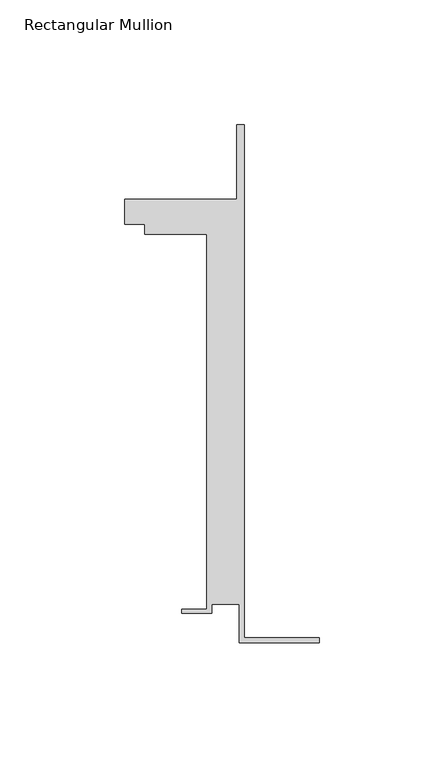
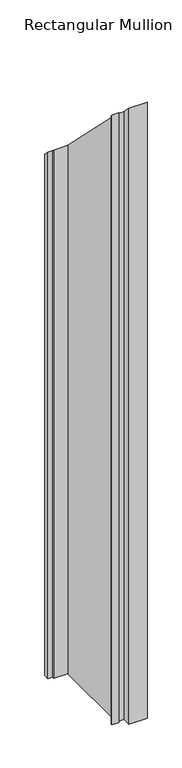
"""IFC4 building model written with IfcOpenShell, lengths in millimetres: member geometry, Rectangular Mullion."""

from ifc_helpers import new_model, si_unit, origin, place, context, project, spatial, faceted_brep, source, transform, mapped, element, save


def rectangular_mullion_6e8a45d0(model_context):
    return source(origin(), model_context, "Body", "Brep", [
        faceted_brep([(-32.1465839, -41.25, -1110.6499288), (-32.1465839, -25.75, -1110.6499288), (-43.1465839, -25.75, -1110.6499288), (-43.1465839, -29.25, -1110.6499288), (-55.1465839, -29.25, -1110.6499288), (-55.1465839, -27.75, -1110.6499288), (-45.1465839, -27.75, -1110.6499288), (-45.1465839, 122.75, -1110.6499288), (-70.1466122, 122.75, -1110.6499288), (-70.1466122, 126.75, -1110.6499288), (-78.1466122, 126.75, -1110.6499288), (-78.1466122, 136.75, -1110.6499288), (-33.1466122, 136.75, -1110.6499288), (-33.1466122, 166.75, -1110.6499288), (-30.1465839, 166.75, -1110.6499288), (-30.1465839, -39.25, -1110.6499288), (0.0, -39.25, -1110.6499288), (0.0, -41.25, -1110.6499288), (0.0, -41.25, 41.25), (-32.1465839, -41.25, 41.25), (0.0, -39.25, 39.25), (-30.1465839, -39.25, 39.25), (-30.1465839, 166.75, -166.75), (-33.1466122, 166.75, -166.75), (-33.1466122, 136.75, -136.75), (-78.1466122, 136.75, -136.75), (-78.1466122, 126.75, -126.75), (-70.1466122, 126.75, -126.75), (-70.1466122, 122.75, -122.75), (-45.1465839, 122.75, -122.75), (-45.1465839, -27.75, 27.75), (-55.1465839, -27.75, 27.75), (-55.1465839, -29.25, 29.25), (-43.1465839, -29.25, 29.25), (-43.1465839, -25.75, 25.75), (-32.1465839, -25.75, 25.75)], [[[0, 1, 2, 3, 4, 5, 6, 7, 8, 9, 10, 11, 12, 13, 14, 15, 16, 17]], [[18, 19, 0, 17]], [[20, 18, 17, 16]], [[21, 20, 16, 15]], [[22, 21, 15, 14]], [[23, 22, 14, 13]], [[24, 23, 13, 12]], [[25, 24, 12, 11]], [[26, 25, 11, 10]], [[27, 26, 10, 9]], [[28, 27, 9, 8]], [[29, 28, 8, 7]], [[30, 29, 7, 6]], [[31, 30, 6, 5]], [[32, 31, 5, 4]], [[33, 32, 4, 3]], [[34, 33, 3, 2]], [[35, 34, 2, 1]], [[19, 35, 1, 0]], [[19, 18, 20, 21, 22, 23, 24, 25, 26, 27, 28, 29, 30, 31, 32, 33, 34, 35]]]),
    ])


if __name__ == "__main__":
    model = new_model("IFC4")
    model_context = context("Model", 3, world=origin())
    ifc_project = project(units=[si_unit("LENGTHUNIT", "METRE", prefix="MILLI")], contexts=[model_context])
    site = spatial("IfcSite", under=ifc_project)
    building = spatial("IfcBuilding", under=site)
    placement = place(None, origin())
    rectangular_mullion_shape = rectangular_mullion_6e8a45d0(model_context)
    element("IfcMember", 1, ObjectType="Rectangular Mullion", at=placement, inside=building, context=model_context, shape_type="MappedRepresentation", body=[
        mapped(rectangular_mullion_shape, transform((0.0, 0.0, 0.0), x_axis=(1.0, 0.0, 0.0), y_axis=(0.0, 1.0, 0.0), z_axis=(0.0, 0.0, 1.0))),
    ])
    save(model, "model.ifc")
